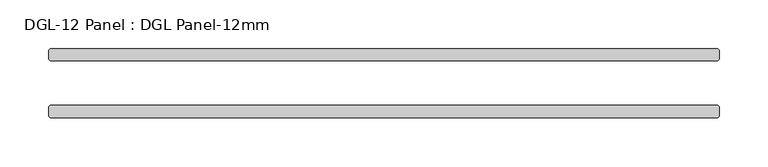
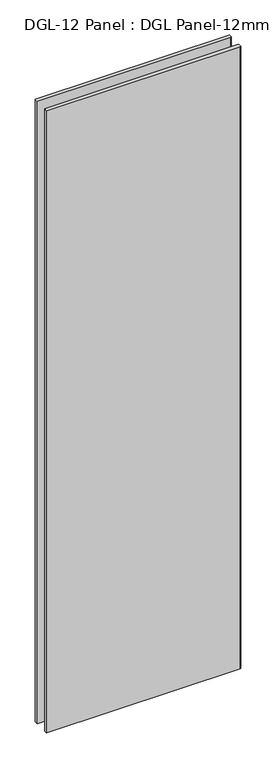
"""IFC4 building model written with IfcOpenShell, lengths in millimetres: plate geometry, DGL-12 Panel : DGL Panel-12mm."""

from ifc_helpers import new_model, si_unit, origin, origin_with_axes, place, context, project, spatial, polyline, outline, extrude, source, transform, mapped, element, save


def dgl_12_panel_dgl_panel_12mm_9584378c(model_context):
    return source(origin(), model_context, "Body", "SweptSolid", [
        extrude(outline(polyline([(343.9984481, -22.9195313), (345.5859481, -24.5070313), (345.5859481, -34.0320313), (343.9984481, -35.6195313), (-343.9984481, -35.6195313), (-345.5859481, -34.0320313), (-345.5859481, -24.5070313), (-343.9984481, -22.9195313), (343.9984481, -22.9195313)])), origin_with_axes(), (0.0, 0.0, 1.0), 2339.4622278),
        extrude(outline(polyline([(343.9984481, 35.6195312), (345.5859481, 34.0320312), (345.5859481, 24.5070312), (343.9984481, 22.9195312), (-343.9984481, 22.9195312), (-345.5859481, 24.5070312), (-345.5859481, 34.0320312), (-343.9984481, 35.6195312), (343.9984481, 35.6195312)])), origin_with_axes(), (0.0, 0.0, 1.0), 2339.4622278),
    ])


if __name__ == "__main__":
    model = new_model("IFC4")
    model_context = context("Model", 3, world=origin())
    ifc_project = project(units=[si_unit("LENGTHUNIT", "METRE", prefix="MILLI")], contexts=[model_context])
    site = spatial("IfcSite", under=ifc_project)
    building = spatial("IfcBuilding", under=site)
    placement = place(None, origin())
    dgl_12_panel_dgl_panel_12mm_shape = dgl_12_panel_dgl_panel_12mm_9584378c(model_context)
    element("IfcPlate", 1, ObjectType="DGL-12 Panel : DGL Panel-12mm", at=placement, inside=building, context=model_context, shape_type="MappedRepresentation", body=[
        mapped(dgl_12_panel_dgl_panel_12mm_shape, transform((0.0, 0.0, 0.0), x_axis=(1.0, 0.0, 0.0), y_axis=(0.0, 1.0, 0.0), z_axis=(0.0, 0.0, 1.0))),
    ])
    save(model, "model.ifc")
